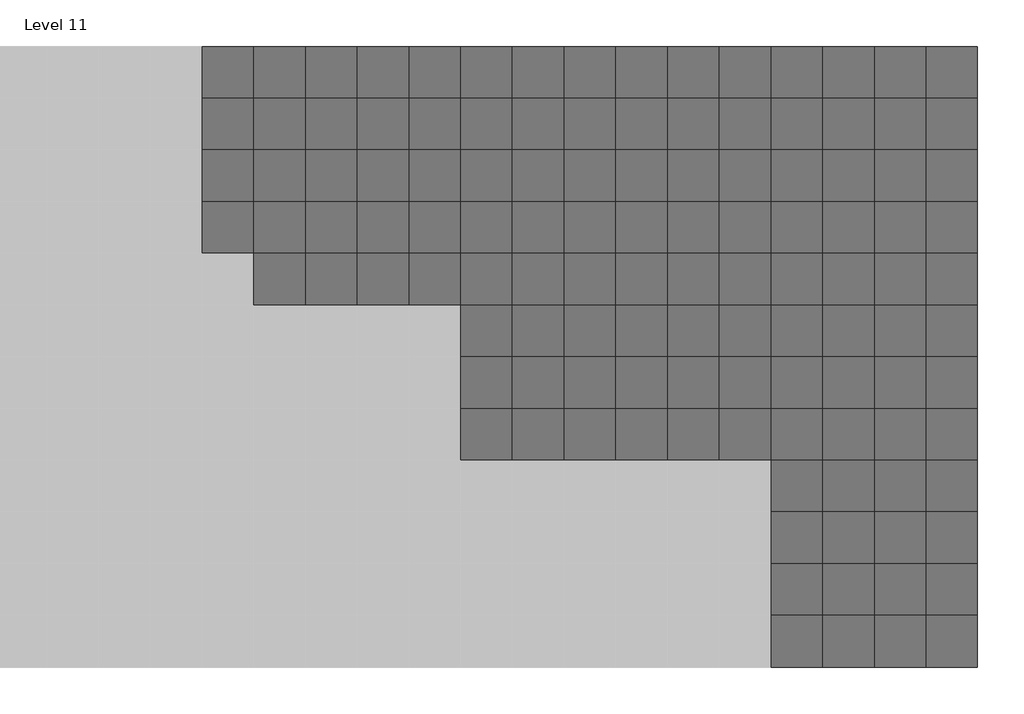
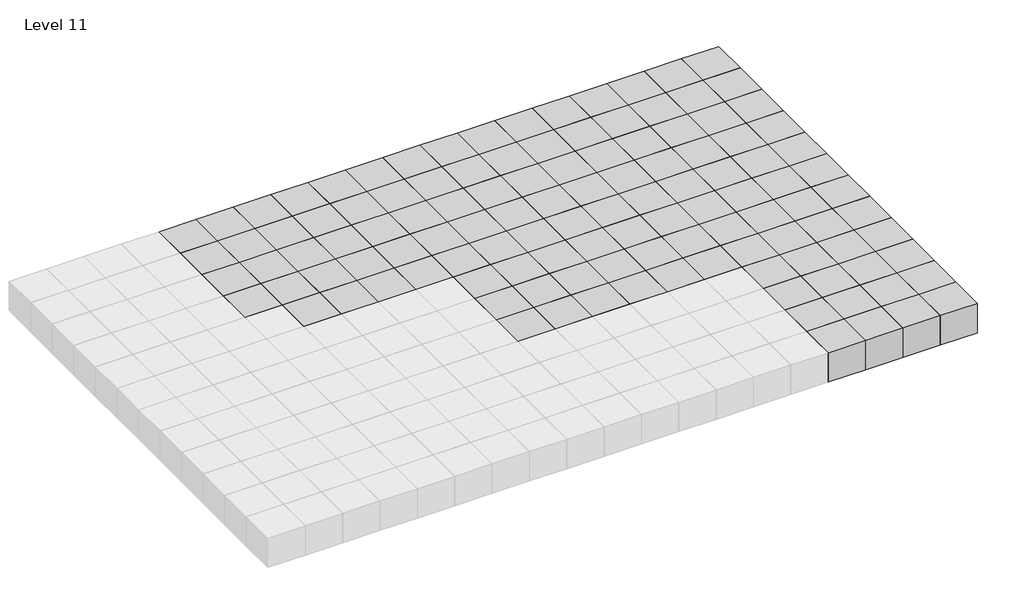
# One storey, part 3 of 3: 120 proxies.
"""IFC4 building model written with IfcOpenShell, lengths in millimetres."""

import ifcopenshell
import ifcopenshell.guid

model = None  # the IFC model being written
_history = None  # IfcOwnerHistory: only IFC2X3 demands one
_inside = {}  # id of a spatial element -> (the spatial element, [elements in it])
_under = {}  # id of a project, library or spatial element -> (it, [spatial elements below it])
_declared = {}  # id of a project -> (the project, [libraries it declares])
_typed = {}  # id of a type object -> (the type object, [elements of that type])
_made_of = {}  # id of a material, layer set ... -> (it, [elements and type objects made of it])


def new_model(schema):
    """Start an empty IFC model of exactly this schema.

    Asked for "IFC4X3", IfcOpenShell would pick the latest addendum, in which some entities
    have other attributes; the version numbers below select the first issue.
    IFC2X3 requires an IfcOwnerHistory on every rooted entity: one is made here for all.
    """
    global model, _history
    if schema == "IFC4X3":
        model = ifcopenshell.file(schema_version=(4, 3, 0, 0))
    else:
        model = ifcopenshell.file(schema=schema)
    _inside.clear()
    _under.clear()
    _declared.clear()
    _typed.clear()
    _made_of.clear()
    _history = None
    if model.schema == "IFC2X3":
        org = make("IfcOrganization", Name="unknown")
        user = make(
            "IfcPersonAndOrganization",
            ThePerson=make("IfcPerson", FamilyName="unknown"),
            TheOrganization=org,
        )
        app = make(
            "IfcApplication",
            ApplicationDeveloper=org,
            Version="unknown",
            ApplicationFullName="unknown",
            ApplicationIdentifier="unknown",
        )
        _history = make(
            "IfcOwnerHistory",
            OwningUser=user,
            OwningApplication=app,
            ChangeAction="ADDED",
            CreationDate=0,
        )
    return model


def make(cls, **values):
    """One entity of the class cls with the attributes given. An attribute that is None is left unset."""
    return model.create_entity(
        cls, **{name: value for name, value in values.items() if value is not None}
    )


def rooted(cls, **values):
    """An entity with a GlobalId (a new one), such as an element, a storey or a relation."""
    return make(cls, GlobalId=ifcopenshell.guid.new(), OwnerHistory=_history, **values)


def si_unit(unit_type, name, prefix=None):
    """IfcSIUnit, for example si_unit("LENGTHUNIT", "METRE", prefix="MILLI")."""
    return make("IfcSIUnit", UnitType=unit_type, Prefix=prefix, Name=name)


def assignment(units):
    """IfcUnitAssignment: the units of a project."""
    return None if units is None else make("IfcUnitAssignment", Units=units)


def point(xyz):
    """IfcCartesianPoint."""
    return None if xyz is None else make("IfcCartesianPoint", Coordinates=xyz)


def direction(xyz):
    """IfcDirection."""
    return None if xyz is None else make("IfcDirection", DirectionRatios=xyz)


def frame(location, z_axis=None, x_axis=None):
    """IfcAxis2Placement3D, a coordinate frame: its origin and axes. An axis left out is left unset."""
    return make(
        "IfcAxis2Placement3D",
        Location=point(location),
        Axis=direction(z_axis),
        RefDirection=direction(x_axis),
    )


def origin():
    """The frame at (0, 0, 0) with its axes left unset."""
    return frame((0.0, 0.0, 0.0))


def origin_with_axes():
    """The frame at (0, 0, 0) with the z axis (0, 0, 1) and the x axis (1, 0, 0) written out."""
    return frame((0.0, 0.0, 0.0), z_axis=(0.0, 0.0, 1.0), x_axis=(1.0, 0.0, 0.0))


def place(relative_to, where):
    """IfcLocalPlacement: puts the frame where relative to a parent placement (None: the world)."""
    return make(
        "IfcLocalPlacement", PlacementRelTo=relative_to, RelativePlacement=where
    )


def context(
    kind, dimensions, precision=None, world=None, true_north=None, identifier=None
):
    """IfcGeometricRepresentationContext, for example the 3D "Model" context."""
    return make(
        "IfcGeometricRepresentationContext",
        ContextIdentifier=identifier,
        ContextType=kind,
        CoordinateSpaceDimension=dimensions,
        Precision=precision,
        WorldCoordinateSystem=world,
        TrueNorth=true_north,
    )


def project(units=None, contexts=None):
    """IfcProject with its units and contexts."""
    return rooted(
        "IfcProject",
        Name="project",
        RepresentationContexts=contexts,
        UnitsInContext=assignment(units),
    )


def spatial(cls, under=None, at=None, **own):
    """A site, building, storey or space (cls), placed at a placement, below another one or the project."""
    s = rooted(cls, ObjectPlacement=at, **own)
    if under is not None:
        _under.setdefault(under.id(), (under, []))[1].append(s)
    return s


def polyline(points):
    """IfcPolyline through the points."""
    return make("IfcPolyline", Points=[point(p) for p in points])


def outline(outer, holes=None, kind="AREA"):
    """IfcArbitraryClosedProfileDef: a profile drawn as a closed curve; with holes, ...WithVoids."""
    if holes is None:
        return make("IfcArbitraryClosedProfileDef", ProfileType=kind, OuterCurve=outer)
    return make(
        "IfcArbitraryProfileDefWithVoids",
        ProfileType=kind,
        OuterCurve=outer,
        InnerCurves=holes,
    )


def extrude(swept, where, along, depth):
    """IfcExtrudedAreaSolid: the profile swept, set in the frame where, extruded along a direction by depth."""
    return make(
        "IfcExtrudedAreaSolid",
        SweptArea=swept,
        Position=where,
        ExtrudedDirection=direction(along),
        Depth=depth,
    )


def shape(context_of_items, identifier, shape_type, items):
    """IfcShapeRepresentation: the items that make up one representation, for example the "Body"."""
    return make(
        "IfcShapeRepresentation",
        ContextOfItems=context_of_items,
        RepresentationIdentifier=identifier,
        RepresentationType=shape_type,
        Items=items,
    )


def source(mapping_origin, context_of_items, identifier, shape_type, items):
    """IfcRepresentationMap: a shape defined once, which mapped items show again and again."""
    return make(
        "IfcRepresentationMap",
        MappingOrigin=mapping_origin,
        MappedRepresentation=shape(context_of_items, identifier, shape_type, items),
    )


def transform(
    local_origin,
    x_axis=None,
    y_axis=None,
    z_axis=None,
    scale=None,
    scale2=None,
    scale3=None,
    uniform=True,
):
    """IfcCartesianTransformationOperator3D, or its non-uniform kind. x_axis, y_axis, z_axis: its Axis1, 2, 3."""
    if uniform:
        return make(
            "IfcCartesianTransformationOperator3D",
            Axis1=direction(x_axis),
            Axis2=direction(y_axis),
            LocalOrigin=point(local_origin),
            Scale=scale,
            Axis3=direction(z_axis),
        )
    return make(
        "IfcCartesianTransformationOperator3DnonUniform",
        Axis1=direction(x_axis),
        Axis2=direction(y_axis),
        LocalOrigin=point(local_origin),
        Scale=scale,
        Axis3=direction(z_axis),
        Scale2=scale2,
        Scale3=scale3,
    )


def mapped(mapping_source, mapping_target):
    """IfcMappedItem: shows the shape of a source again, moved by a transform."""
    return make(
        "IfcMappedItem", MappingSource=mapping_source, MappingTarget=mapping_target
    )


def made_of(thing, what):
    """Note that an element or type object is made of a material, layer set ...; save() writes the relation."""
    if what is not None:
        _made_of.setdefault(what.id(), (what, []))[1].append(thing)
    return thing


def element(
    cls,
    number,
    at=None,
    inside=None,
    cuts=None,
    type_object=None,
    material=None,
    context=None,
    identifier="Body",
    shape_type=None,
    held_by="IfcProductDefinitionShape",
    body=None,
    shapes=None,
    **own,
):
    """One element of the class cls, such as IfcWall. Its Tag is "e" and its number.

    at: its placement. inside: the storey or other place that contains it. cuts: it is an
    opening in that element (IfcRelVoidsElement). A single representation is given by context,
    identifier, shape_type and body (its items); several are given by shapes. held_by: the class
    of the entity that holds the representations. save() writes the other relations.
    """
    e = rooted(cls, Tag="e%d" % number, ObjectPlacement=at, **own)
    if body is not None:
        shapes = [shape(context, identifier, shape_type, body)]
    if shapes is not None:
        e.Representation = make(held_by, Representations=shapes)
    if inside is not None:
        _inside.setdefault(inside.id(), (inside, []))[1].append(e)
    if cuts is not None:
        rooted(
            "IfcRelVoidsElement", RelatingBuildingElement=cuts, RelatedOpeningElement=e
        )
    if type_object is not None:
        _typed.setdefault(type_object.id(), (type_object, []))[1].append(e)
    return made_of(e, material)


def aggregate(whole, parts):
    """IfcRelAggregates: a whole, such as a stair, and the parts it consists of."""
    return rooted("IfcRelAggregates", RelatingObject=whole, RelatedObjects=parts)


def save(model, path):
    """Write the relations noted so far, then the file.

    IfcRelAggregates (storeys below a building ...), IfcRelContainedInSpatialStructure (elements
    in a storey), IfcRelDefinesByType, IfcRelAssociatesMaterial and IfcRelDeclares: one each for
    every whole, place, type object, material and project.
    """
    for whole, parts in _under.values():
        aggregate(whole, parts)
    for where, things in _inside.values():
        rooted(
            "IfcRelContainedInSpatialStructure",
            RelatedElements=things,
            RelatingStructure=where,
        )
    for kind, things in _typed.values():
        rooted("IfcRelDefinesByType", RelatedObjects=things, RelatingType=kind)
    for what, things in _made_of.values():
        rooted("IfcRelAssociatesMaterial", RelatedObjects=things, RelatingMaterial=what)
    for by, libraries in _declared.values():
        rooted("IfcRelDeclares", RelatingContext=by, RelatedDefinitions=libraries)
    model.write(path)


def family1_family1_3ff121e7(model_context):
    return source(origin(), model_context, "Body", "SweptSolid", [
        extrude(outline(polyline([(1500.0, 1500.0), (1500.0, -1500.0), (-1500.0, -1500.0), (-1500.0, 1500.0), (1500.0, 1500.0)])), origin_with_axes(), (0.0, 0.0, 1.0), 2500.0),
    ])


model = new_model("IFC4")

# Units and contexts
model_context = context("Model", 3, world=origin())
ifc_project = project(units=[si_unit("LENGTHUNIT", "METRE", prefix="MILLI")], contexts=[model_context])

# Site, building, storey
site = spatial("IfcSite", under=ifc_project)
building = spatial("IfcBuilding", under=site)
storey = spatial("IfcBuildingStorey", under=building, Name="Level 11", Elevation=25000.0)

# Proxies
placement = place(None, origin())
family1_family1_shape = family1_family1_3ff121e7(model_context)
element("IfcBuildingElementProxy", 1, Name="Family1 : Family1", ObjectType="Family1 : Family1", at=placement, inside=storey, context=model_context, shape_type="MappedRepresentation", body=[
    mapped(family1_family1_shape, transform((34230.8235721, 4214.6480914, 25000.0), x_axis=(1.0, 0.0, 0.0), y_axis=(0.0, 1.0, 0.0), z_axis=(0.0, 0.0, 1.0))),
])
element("IfcBuildingElementProxy", 2, Name="Family1 : Family1", ObjectType="Family1 : Family1", at=placement, inside=storey, context=model_context, shape_type="MappedRepresentation", body=[
    mapped(family1_family1_shape, transform((37230.8235721, 4214.6480914, 25000.0), x_axis=(1.0, 0.0, 0.0), y_axis=(0.0, 1.0, 0.0), z_axis=(0.0, 0.0, 1.0))),
])
element("IfcBuildingElementProxy", 3, Name="Family1 : Family1", ObjectType="Family1 : Family1", at=placement, inside=storey, context=model_context, shape_type="MappedRepresentation", body=[
    mapped(family1_family1_shape, transform((40230.8235721, 4214.6480914, 25000.0), x_axis=(1.0, 0.0, 0.0), y_axis=(0.0, 1.0, 0.0), z_axis=(0.0, 0.0, 1.0))),
])
element("IfcBuildingElementProxy", 4, Name="Family1 : Family1", ObjectType="Family1 : Family1", at=placement, inside=storey, context=model_context, shape_type="MappedRepresentation", body=[
    mapped(family1_family1_shape, transform((43230.8235721, 4214.6480914, 25000.0), x_axis=(1.0, 0.0, 0.0), y_axis=(0.0, 1.0, 0.0), z_axis=(0.0, 0.0, 1.0))),
])
element("IfcBuildingElementProxy", 5, Name="Family1 : Family1", ObjectType="Family1 : Family1", at=placement, inside=storey, context=model_context, shape_type="MappedRepresentation", body=[
    mapped(family1_family1_shape, transform((34230.8235721, 7214.6480914, 25000.0), x_axis=(1.0, 0.0, 0.0), y_axis=(0.0, 1.0, 0.0), z_axis=(0.0, 0.0, 1.0))),
])
element("IfcBuildingElementProxy", 6, Name="Family1 : Family1", ObjectType="Family1 : Family1", at=placement, inside=storey, context=model_context, shape_type="MappedRepresentation", body=[
    mapped(family1_family1_shape, transform((37230.8235721, 7214.6480914, 25000.0), x_axis=(1.0, 0.0, 0.0), y_axis=(0.0, 1.0, 0.0), z_axis=(0.0, 0.0, 1.0))),
])
element("IfcBuildingElementProxy", 7, Name="Family1 : Family1", ObjectType="Family1 : Family1", at=placement, inside=storey, context=model_context, shape_type="MappedRepresentation", body=[
    mapped(family1_family1_shape, transform((40230.8235721, 7214.6480914, 25000.0), x_axis=(1.0, 0.0, 0.0), y_axis=(0.0, 1.0, 0.0), z_axis=(0.0, 0.0, 1.0))),
])
element("IfcBuildingElementProxy", 8, Name="Family1 : Family1", ObjectType="Family1 : Family1", at=placement, inside=storey, context=model_context, shape_type="MappedRepresentation", body=[
    mapped(family1_family1_shape, transform((43230.8235721, 7214.6480914, 25000.0), x_axis=(1.0, 0.0, 0.0), y_axis=(0.0, 1.0, 0.0), z_axis=(0.0, 0.0, 1.0))),
])
element("IfcBuildingElementProxy", 9, Name="Family1 : Family1", ObjectType="Family1 : Family1", at=placement, inside=storey, context=model_context, shape_type="MappedRepresentation", body=[
    mapped(family1_family1_shape, transform((34230.8235721, 10214.6480914, 25000.0), x_axis=(1.0, 0.0, 0.0), y_axis=(0.0, 1.0, 0.0), z_axis=(0.0, 0.0, 1.0))),
])
element("IfcBuildingElementProxy", 10, Name="Family1 : Family1", ObjectType="Family1 : Family1", at=placement, inside=storey, context=model_context, shape_type="MappedRepresentation", body=[
    mapped(family1_family1_shape, transform((37230.8235721, 10214.6480914, 25000.0), x_axis=(1.0, 0.0, 0.0), y_axis=(0.0, 1.0, 0.0), z_axis=(0.0, 0.0, 1.0))),
])
element("IfcBuildingElementProxy", 11, Name="Family1 : Family1", ObjectType="Family1 : Family1", at=placement, inside=storey, context=model_context, shape_type="MappedRepresentation", body=[
    mapped(family1_family1_shape, transform((40230.8235721, 10214.6480914, 25000.0), x_axis=(1.0, 0.0, 0.0), y_axis=(0.0, 1.0, 0.0), z_axis=(0.0, 0.0, 1.0))),
])
element("IfcBuildingElementProxy", 12, Name="Family1 : Family1", ObjectType="Family1 : Family1", at=placement, inside=storey, context=model_context, shape_type="MappedRepresentation", body=[
    mapped(family1_family1_shape, transform((43230.8235721, 10214.6480914, 25000.0), x_axis=(1.0, 0.0, 0.0), y_axis=(0.0, 1.0, 0.0), z_axis=(0.0, 0.0, 1.0))),
])
element("IfcBuildingElementProxy", 13, Name="Family1 : Family1", ObjectType="Family1 : Family1", at=placement, inside=storey, context=model_context, shape_type="MappedRepresentation", body=[
    mapped(family1_family1_shape, transform((34230.8235721, 13214.6480914, 25000.0), x_axis=(1.0, 0.0, 0.0), y_axis=(0.0, 1.0, 0.0), z_axis=(0.0, 0.0, 1.0))),
])
element("IfcBuildingElementProxy", 14, Name="Family1 : Family1", ObjectType="Family1 : Family1", at=placement, inside=storey, context=model_context, shape_type="MappedRepresentation", body=[
    mapped(family1_family1_shape, transform((37230.8235721, 13214.6480914, 25000.0), x_axis=(1.0, 0.0, 0.0), y_axis=(0.0, 1.0, 0.0), z_axis=(0.0, 0.0, 1.0))),
])
element("IfcBuildingElementProxy", 15, Name="Family1 : Family1", ObjectType="Family1 : Family1", at=placement, inside=storey, context=model_context, shape_type="MappedRepresentation", body=[
    mapped(family1_family1_shape, transform((40230.8235721, 13214.6480914, 25000.0), x_axis=(1.0, 0.0, 0.0), y_axis=(0.0, 1.0, 0.0), z_axis=(0.0, 0.0, 1.0))),
])
element("IfcBuildingElementProxy", 16, Name="Family1 : Family1", ObjectType="Family1 : Family1", at=placement, inside=storey, context=model_context, shape_type="MappedRepresentation", body=[
    mapped(family1_family1_shape, transform((43230.8235721, 13214.6480914, 25000.0), x_axis=(1.0, 0.0, 0.0), y_axis=(0.0, 1.0, 0.0), z_axis=(0.0, 0.0, 1.0))),
])
element("IfcBuildingElementProxy", 17, Name="Family1 : Family1", ObjectType="Family1 : Family1", at=placement, inside=storey, context=model_context, shape_type="MappedRepresentation", body=[
    mapped(family1_family1_shape, transform((16230.8235721, 16214.6480914, 25000.0), x_axis=(1.0, 0.0, 0.0), y_axis=(0.0, 1.0, 0.0), z_axis=(0.0, 0.0, 1.0))),
])
element("IfcBuildingElementProxy", 18, Name="Family1 : Family1", ObjectType="Family1 : Family1", at=placement, inside=storey, context=model_context, shape_type="MappedRepresentation", body=[
    mapped(family1_family1_shape, transform((19230.8235721, 16214.6480914, 25000.0), x_axis=(1.0, 0.0, 0.0), y_axis=(0.0, 1.0, 0.0), z_axis=(0.0, 0.0, 1.0))),
])
element("IfcBuildingElementProxy", 19, Name="Family1 : Family1", ObjectType="Family1 : Family1", at=placement, inside=storey, context=model_context, shape_type="MappedRepresentation", body=[
    mapped(family1_family1_shape, transform((22230.8235721, 16214.6480914, 25000.0), x_axis=(1.0, 0.0, 0.0), y_axis=(0.0, 1.0, 0.0), z_axis=(0.0, 0.0, 1.0))),
])
element("IfcBuildingElementProxy", 20, Name="Family1 : Family1", ObjectType="Family1 : Family1", at=placement, inside=storey, context=model_context, shape_type="MappedRepresentation", body=[
    mapped(family1_family1_shape, transform((25230.8235721, 16214.6480914, 25000.0), x_axis=(1.0, 0.0, 0.0), y_axis=(0.0, 1.0, 0.0), z_axis=(0.0, 0.0, 1.0))),
])
element("IfcBuildingElementProxy", 21, Name="Family1 : Family1", ObjectType="Family1 : Family1", at=placement, inside=storey, context=model_context, shape_type="MappedRepresentation", body=[
    mapped(family1_family1_shape, transform((28230.8235721, 16214.6480914, 25000.0), x_axis=(1.0, 0.0, 0.0), y_axis=(0.0, 1.0, 0.0), z_axis=(0.0, 0.0, 1.0))),
])
element("IfcBuildingElementProxy", 22, Name="Family1 : Family1", ObjectType="Family1 : Family1", at=placement, inside=storey, context=model_context, shape_type="MappedRepresentation", body=[
    mapped(family1_family1_shape, transform((31230.8235721, 16214.6480914, 25000.0), x_axis=(1.0, 0.0, 0.0), y_axis=(0.0, 1.0, 0.0), z_axis=(0.0, 0.0, 1.0))),
])
element("IfcBuildingElementProxy", 23, Name="Family1 : Family1", ObjectType="Family1 : Family1", at=placement, inside=storey, context=model_context, shape_type="MappedRepresentation", body=[
    mapped(family1_family1_shape, transform((34230.8235721, 16214.6480914, 25000.0), x_axis=(1.0, 0.0, 0.0), y_axis=(0.0, 1.0, 0.0), z_axis=(0.0, 0.0, 1.0))),
])
element("IfcBuildingElementProxy", 24, Name="Family1 : Family1", ObjectType="Family1 : Family1", at=placement, inside=storey, context=model_context, shape_type="MappedRepresentation", body=[
    mapped(family1_family1_shape, transform((37230.8235721, 16214.6480914, 25000.0), x_axis=(1.0, 0.0, 0.0), y_axis=(0.0, 1.0, 0.0), z_axis=(0.0, 0.0, 1.0))),
])
element("IfcBuildingElementProxy", 25, Name="Family1 : Family1", ObjectType="Family1 : Family1", at=placement, inside=storey, context=model_context, shape_type="MappedRepresentation", body=[
    mapped(family1_family1_shape, transform((40230.8235721, 16214.6480914, 25000.0), x_axis=(1.0, 0.0, 0.0), y_axis=(0.0, 1.0, 0.0), z_axis=(0.0, 0.0, 1.0))),
])
element("IfcBuildingElementProxy", 26, Name="Family1 : Family1", ObjectType="Family1 : Family1", at=placement, inside=storey, context=model_context, shape_type="MappedRepresentation", body=[
    mapped(family1_family1_shape, transform((43230.8235721, 16214.6480914, 25000.0), x_axis=(1.0, 0.0, 0.0), y_axis=(0.0, 1.0, 0.0), z_axis=(0.0, 0.0, 1.0))),
])
element("IfcBuildingElementProxy", 27, Name="Family1 : Family1", ObjectType="Family1 : Family1", at=placement, inside=storey, context=model_context, shape_type="MappedRepresentation", body=[
    mapped(family1_family1_shape, transform((16230.8235721, 19214.6480914, 25000.0), x_axis=(1.0, 0.0, 0.0), y_axis=(0.0, 1.0, 0.0), z_axis=(0.0, 0.0, 1.0))),
])
element("IfcBuildingElementProxy", 28, Name="Family1 : Family1", ObjectType="Family1 : Family1", at=placement, inside=storey, context=model_context, shape_type="MappedRepresentation", body=[
    mapped(family1_family1_shape, transform((19230.8235721, 19214.6480914, 25000.0), x_axis=(1.0, 0.0, 0.0), y_axis=(0.0, 1.0, 0.0), z_axis=(0.0, 0.0, 1.0))),
])
element("IfcBuildingElementProxy", 29, Name="Family1 : Family1", ObjectType="Family1 : Family1", at=placement, inside=storey, context=model_context, shape_type="MappedRepresentation", body=[
    mapped(family1_family1_shape, transform((22230.8235721, 19214.6480914, 25000.0), x_axis=(1.0, 0.0, 0.0), y_axis=(0.0, 1.0, 0.0), z_axis=(0.0, 0.0, 1.0))),
])
element("IfcBuildingElementProxy", 30, Name="Family1 : Family1", ObjectType="Family1 : Family1", at=placement, inside=storey, context=model_context, shape_type="MappedRepresentation", body=[
    mapped(family1_family1_shape, transform((25230.8235721, 19214.6480914, 25000.0), x_axis=(1.0, 0.0, 0.0), y_axis=(0.0, 1.0, 0.0), z_axis=(0.0, 0.0, 1.0))),
])
element("IfcBuildingElementProxy", 31, Name="Family1 : Family1", ObjectType="Family1 : Family1", at=placement, inside=storey, context=model_context, shape_type="MappedRepresentation", body=[
    mapped(family1_family1_shape, transform((28230.8235721, 19214.6480914, 25000.0), x_axis=(1.0, 0.0, 0.0), y_axis=(0.0, 1.0, 0.0), z_axis=(0.0, 0.0, 1.0))),
])
element("IfcBuildingElementProxy", 32, Name="Family1 : Family1", ObjectType="Family1 : Family1", at=placement, inside=storey, context=model_context, shape_type="MappedRepresentation", body=[
    mapped(family1_family1_shape, transform((31230.8235721, 19214.6480914, 25000.0), x_axis=(1.0, 0.0, 0.0), y_axis=(0.0, 1.0, 0.0), z_axis=(0.0, 0.0, 1.0))),
])
element("IfcBuildingElementProxy", 33, Name="Family1 : Family1", ObjectType="Family1 : Family1", at=placement, inside=storey, context=model_context, shape_type="MappedRepresentation", body=[
    mapped(family1_family1_shape, transform((34230.8235721, 19214.6480914, 25000.0), x_axis=(1.0, 0.0, 0.0), y_axis=(0.0, 1.0, 0.0), z_axis=(0.0, 0.0, 1.0))),
])
element("IfcBuildingElementProxy", 34, Name="Family1 : Family1", ObjectType="Family1 : Family1", at=placement, inside=storey, context=model_context, shape_type="MappedRepresentation", body=[
    mapped(family1_family1_shape, transform((37230.8235721, 19214.6480914, 25000.0), x_axis=(1.0, 0.0, 0.0), y_axis=(0.0, 1.0, 0.0), z_axis=(0.0, 0.0, 1.0))),
])
element("IfcBuildingElementProxy", 35, Name="Family1 : Family1", ObjectType="Family1 : Family1", at=placement, inside=storey, context=model_context, shape_type="MappedRepresentation", body=[
    mapped(family1_family1_shape, transform((40230.8235721, 19214.6480914, 25000.0), x_axis=(1.0, 0.0, 0.0), y_axis=(0.0, 1.0, 0.0), z_axis=(0.0, 0.0, 1.0))),
])
element("IfcBuildingElementProxy", 36, Name="Family1 : Family1", ObjectType="Family1 : Family1", at=placement, inside=storey, context=model_context, shape_type="MappedRepresentation", body=[
    mapped(family1_family1_shape, transform((43230.8235721, 19214.6480914, 25000.0), x_axis=(1.0, 0.0, 0.0), y_axis=(0.0, 1.0, 0.0), z_axis=(0.0, 0.0, 1.0))),
])
element("IfcBuildingElementProxy", 37, Name="Family1 : Family1", ObjectType="Family1 : Family1", at=placement, inside=storey, context=model_context, shape_type="MappedRepresentation", body=[
    mapped(family1_family1_shape, transform((16230.8235721, 22214.6480914, 25000.0), x_axis=(1.0, 0.0, 0.0), y_axis=(0.0, 1.0, 0.0), z_axis=(0.0, 0.0, 1.0))),
])
element("IfcBuildingElementProxy", 38, Name="Family1 : Family1", ObjectType="Family1 : Family1", at=placement, inside=storey, context=model_context, shape_type="MappedRepresentation", body=[
    mapped(family1_family1_shape, transform((19230.8235721, 22214.6480914, 25000.0), x_axis=(1.0, 0.0, 0.0), y_axis=(0.0, 1.0, 0.0), z_axis=(0.0, 0.0, 1.0))),
])
element("IfcBuildingElementProxy", 39, Name="Family1 : Family1", ObjectType="Family1 : Family1", at=placement, inside=storey, context=model_context, shape_type="MappedRepresentation", body=[
    mapped(family1_family1_shape, transform((22230.8235721, 22214.6480914, 25000.0), x_axis=(1.0, 0.0, 0.0), y_axis=(0.0, 1.0, 0.0), z_axis=(0.0, 0.0, 1.0))),
])
element("IfcBuildingElementProxy", 40, Name="Family1 : Family1", ObjectType="Family1 : Family1", at=placement, inside=storey, context=model_context, shape_type="MappedRepresentation", body=[
    mapped(family1_family1_shape, transform((25230.8235721, 22214.6480914, 25000.0), x_axis=(1.0, 0.0, 0.0), y_axis=(0.0, 1.0, 0.0), z_axis=(0.0, 0.0, 1.0))),
])
element("IfcBuildingElementProxy", 41, Name="Family1 : Family1", ObjectType="Family1 : Family1", at=placement, inside=storey, context=model_context, shape_type="MappedRepresentation", body=[
    mapped(family1_family1_shape, transform((28230.8235721, 22214.6480914, 25000.0), x_axis=(1.0, 0.0, 0.0), y_axis=(0.0, 1.0, 0.0), z_axis=(0.0, 0.0, 1.0))),
])
element("IfcBuildingElementProxy", 42, Name="Family1 : Family1", ObjectType="Family1 : Family1", at=placement, inside=storey, context=model_context, shape_type="MappedRepresentation", body=[
    mapped(family1_family1_shape, transform((31230.8235721, 22214.6480914, 25000.0), x_axis=(1.0, 0.0, 0.0), y_axis=(0.0, 1.0, 0.0), z_axis=(0.0, 0.0, 1.0))),
])
element("IfcBuildingElementProxy", 43, Name="Family1 : Family1", ObjectType="Family1 : Family1", at=placement, inside=storey, context=model_context, shape_type="MappedRepresentation", body=[
    mapped(family1_family1_shape, transform((34230.8235721, 22214.6480914, 25000.0), x_axis=(1.0, 0.0, 0.0), y_axis=(0.0, 1.0, 0.0), z_axis=(0.0, 0.0, 1.0))),
])
element("IfcBuildingElementProxy", 44, Name="Family1 : Family1", ObjectType="Family1 : Family1", at=placement, inside=storey, context=model_context, shape_type="MappedRepresentation", body=[
    mapped(family1_family1_shape, transform((37230.8235721, 22214.6480914, 25000.0), x_axis=(1.0, 0.0, 0.0), y_axis=(0.0, 1.0, 0.0), z_axis=(0.0, 0.0, 1.0))),
])
element("IfcBuildingElementProxy", 45, Name="Family1 : Family1", ObjectType="Family1 : Family1", at=placement, inside=storey, context=model_context, shape_type="MappedRepresentation", body=[
    mapped(family1_family1_shape, transform((40230.8235721, 22214.6480914, 25000.0), x_axis=(1.0, 0.0, 0.0), y_axis=(0.0, 1.0, 0.0), z_axis=(0.0, 0.0, 1.0))),
])
element("IfcBuildingElementProxy", 46, Name="Family1 : Family1", ObjectType="Family1 : Family1", at=placement, inside=storey, context=model_context, shape_type="MappedRepresentation", body=[
    mapped(family1_family1_shape, transform((43230.8235721, 22214.6480914, 25000.0), x_axis=(1.0, 0.0, 0.0), y_axis=(0.0, 1.0, 0.0), z_axis=(0.0, 0.0, 1.0))),
])
element("IfcBuildingElementProxy", 47, Name="Family1 : Family1", ObjectType="Family1 : Family1", at=placement, inside=storey, context=model_context, shape_type="MappedRepresentation", body=[
    mapped(family1_family1_shape, transform((4230.8235721, 25214.6480914, 25000.0), x_axis=(1.0, 0.0, 0.0), y_axis=(0.0, 1.0, 0.0), z_axis=(0.0, 0.0, 1.0))),
])
element("IfcBuildingElementProxy", 48, Name="Family1 : Family1", ObjectType="Family1 : Family1", at=placement, inside=storey, context=model_context, shape_type="MappedRepresentation", body=[
    mapped(family1_family1_shape, transform((7230.8235721, 25214.6480914, 25000.0), x_axis=(1.0, 0.0, 0.0), y_axis=(0.0, 1.0, 0.0), z_axis=(0.0, 0.0, 1.0))),
])
element("IfcBuildingElementProxy", 49, Name="Family1 : Family1", ObjectType="Family1 : Family1", at=placement, inside=storey, context=model_context, shape_type="MappedRepresentation", body=[
    mapped(family1_family1_shape, transform((10230.8235721, 25214.6480914, 25000.0), x_axis=(1.0, 0.0, 0.0), y_axis=(0.0, 1.0, 0.0), z_axis=(0.0, 0.0, 1.0))),
])
element("IfcBuildingElementProxy", 50, Name="Family1 : Family1", ObjectType="Family1 : Family1", at=placement, inside=storey, context=model_context, shape_type="MappedRepresentation", body=[
    mapped(family1_family1_shape, transform((13230.8235721, 25214.6480914, 25000.0), x_axis=(1.0, 0.0, 0.0), y_axis=(0.0, 1.0, 0.0), z_axis=(0.0, 0.0, 1.0))),
])
element("IfcBuildingElementProxy", 51, Name="Family1 : Family1", ObjectType="Family1 : Family1", at=placement, inside=storey, context=model_context, shape_type="MappedRepresentation", body=[
    mapped(family1_family1_shape, transform((16230.8235721, 25214.6480914, 25000.0), x_axis=(1.0, 0.0, 0.0), y_axis=(0.0, 1.0, 0.0), z_axis=(0.0, 0.0, 1.0))),
])
element("IfcBuildingElementProxy", 52, Name="Family1 : Family1", ObjectType="Family1 : Family1", at=placement, inside=storey, context=model_context, shape_type="MappedRepresentation", body=[
    mapped(family1_family1_shape, transform((19230.8235721, 25214.6480914, 25000.0), x_axis=(1.0, 0.0, 0.0), y_axis=(0.0, 1.0, 0.0), z_axis=(0.0, 0.0, 1.0))),
])
element("IfcBuildingElementProxy", 53, Name="Family1 : Family1", ObjectType="Family1 : Family1", at=placement, inside=storey, context=model_context, shape_type="MappedRepresentation", body=[
    mapped(family1_family1_shape, transform((22230.8235721, 25214.6480914, 25000.0), x_axis=(1.0, 0.0, 0.0), y_axis=(0.0, 1.0, 0.0), z_axis=(0.0, 0.0, 1.0))),
])
element("IfcBuildingElementProxy", 54, Name="Family1 : Family1", ObjectType="Family1 : Family1", at=placement, inside=storey, context=model_context, shape_type="MappedRepresentation", body=[
    mapped(family1_family1_shape, transform((25230.8235721, 25214.6480914, 25000.0), x_axis=(1.0, 0.0, 0.0), y_axis=(0.0, 1.0, 0.0), z_axis=(0.0, 0.0, 1.0))),
])
element("IfcBuildingElementProxy", 55, Name="Family1 : Family1", ObjectType="Family1 : Family1", at=placement, inside=storey, context=model_context, shape_type="MappedRepresentation", body=[
    mapped(family1_family1_shape, transform((28230.8235721, 25214.6480914, 25000.0), x_axis=(1.0, 0.0, 0.0), y_axis=(0.0, 1.0, 0.0), z_axis=(0.0, 0.0, 1.0))),
])
element("IfcBuildingElementProxy", 56, Name="Family1 : Family1", ObjectType="Family1 : Family1", at=placement, inside=storey, context=model_context, shape_type="MappedRepresentation", body=[
    mapped(family1_family1_shape, transform((31230.8235721, 25214.6480914, 25000.0), x_axis=(1.0, 0.0, 0.0), y_axis=(0.0, 1.0, 0.0), z_axis=(0.0, 0.0, 1.0))),
])
element("IfcBuildingElementProxy", 57, Name="Family1 : Family1", ObjectType="Family1 : Family1", at=placement, inside=storey, context=model_context, shape_type="MappedRepresentation", body=[
    mapped(family1_family1_shape, transform((34230.8235721, 25214.6480914, 25000.0), x_axis=(1.0, 0.0, 0.0), y_axis=(0.0, 1.0, 0.0), z_axis=(0.0, 0.0, 1.0))),
])
element("IfcBuildingElementProxy", 58, Name="Family1 : Family1", ObjectType="Family1 : Family1", at=placement, inside=storey, context=model_context, shape_type="MappedRepresentation", body=[
    mapped(family1_family1_shape, transform((37230.8235721, 25214.6480914, 25000.0), x_axis=(1.0, 0.0, 0.0), y_axis=(0.0, 1.0, 0.0), z_axis=(0.0, 0.0, 1.0))),
])
element("IfcBuildingElementProxy", 59, Name="Family1 : Family1", ObjectType="Family1 : Family1", at=placement, inside=storey, context=model_context, shape_type="MappedRepresentation", body=[
    mapped(family1_family1_shape, transform((40230.8235721, 25214.6480914, 25000.0), x_axis=(1.0, 0.0, 0.0), y_axis=(0.0, 1.0, 0.0), z_axis=(0.0, 0.0, 1.0))),
])
element("IfcBuildingElementProxy", 60, Name="Family1 : Family1", ObjectType="Family1 : Family1", at=placement, inside=storey, context=model_context, shape_type="MappedRepresentation", body=[
    mapped(family1_family1_shape, transform((43230.8235721, 25214.6480914, 25000.0), x_axis=(1.0, 0.0, 0.0), y_axis=(0.0, 1.0, 0.0), z_axis=(0.0, 0.0, 1.0))),
])
element("IfcBuildingElementProxy", 61, Name="Family1 : Family1", ObjectType="Family1 : Family1", at=placement, inside=storey, context=model_context, shape_type="MappedRepresentation", body=[
    mapped(family1_family1_shape, transform((1230.8235721, 28214.6480914, 25000.0), x_axis=(1.0, 0.0, 0.0), y_axis=(0.0, 1.0, 0.0), z_axis=(0.0, 0.0, 1.0))),
])
element("IfcBuildingElementProxy", 62, Name="Family1 : Family1", ObjectType="Family1 : Family1", at=placement, inside=storey, context=model_context, shape_type="MappedRepresentation", body=[
    mapped(family1_family1_shape, transform((4230.8235721, 28214.6480914, 25000.0), x_axis=(1.0, 0.0, 0.0), y_axis=(0.0, 1.0, 0.0), z_axis=(0.0, 0.0, 1.0))),
])
element("IfcBuildingElementProxy", 63, Name="Family1 : Family1", ObjectType="Family1 : Family1", at=placement, inside=storey, context=model_context, shape_type="MappedRepresentation", body=[
    mapped(family1_family1_shape, transform((7230.8235721, 28214.6480914, 25000.0), x_axis=(1.0, 0.0, 0.0), y_axis=(0.0, 1.0, 0.0), z_axis=(0.0, 0.0, 1.0))),
])
element("IfcBuildingElementProxy", 64, Name="Family1 : Family1", ObjectType="Family1 : Family1", at=placement, inside=storey, context=model_context, shape_type="MappedRepresentation", body=[
    mapped(family1_family1_shape, transform((10230.8235721, 28214.6480914, 25000.0), x_axis=(1.0, 0.0, 0.0), y_axis=(0.0, 1.0, 0.0), z_axis=(0.0, 0.0, 1.0))),
])
element("IfcBuildingElementProxy", 65, Name="Family1 : Family1", ObjectType="Family1 : Family1", at=placement, inside=storey, context=model_context, shape_type="MappedRepresentation", body=[
    mapped(family1_family1_shape, transform((13230.8235721, 28214.6480914, 25000.0), x_axis=(1.0, 0.0, 0.0), y_axis=(0.0, 1.0, 0.0), z_axis=(0.0, 0.0, 1.0))),
])
element("IfcBuildingElementProxy", 66, Name="Family1 : Family1", ObjectType="Family1 : Family1", at=placement, inside=storey, context=model_context, shape_type="MappedRepresentation", body=[
    mapped(family1_family1_shape, transform((16230.8235721, 28214.6480914, 25000.0), x_axis=(1.0, 0.0, 0.0), y_axis=(0.0, 1.0, 0.0), z_axis=(0.0, 0.0, 1.0))),
])
element("IfcBuildingElementProxy", 67, Name="Family1 : Family1", ObjectType="Family1 : Family1", at=placement, inside=storey, context=model_context, shape_type="MappedRepresentation", body=[
    mapped(family1_family1_shape, transform((19230.8235721, 28214.6480914, 25000.0), x_axis=(1.0, 0.0, 0.0), y_axis=(0.0, 1.0, 0.0), z_axis=(0.0, 0.0, 1.0))),
])
element("IfcBuildingElementProxy", 68, Name="Family1 : Family1", ObjectType="Family1 : Family1", at=placement, inside=storey, context=model_context, shape_type="MappedRepresentation", body=[
    mapped(family1_family1_shape, transform((22230.8235721, 28214.6480914, 25000.0), x_axis=(1.0, 0.0, 0.0), y_axis=(0.0, 1.0, 0.0), z_axis=(0.0, 0.0, 1.0))),
])
element("IfcBuildingElementProxy", 69, Name="Family1 : Family1", ObjectType="Family1 : Family1", at=placement, inside=storey, context=model_context, shape_type="MappedRepresentation", body=[
    mapped(family1_family1_shape, transform((25230.8235721, 28214.6480914, 25000.0), x_axis=(1.0, 0.0, 0.0), y_axis=(0.0, 1.0, 0.0), z_axis=(0.0, 0.0, 1.0))),
])
element("IfcBuildingElementProxy", 70, Name="Family1 : Family1", ObjectType="Family1 : Family1", at=placement, inside=storey, context=model_context, shape_type="MappedRepresentation", body=[
    mapped(family1_family1_shape, transform((28230.8235721, 28214.6480914, 25000.0), x_axis=(1.0, 0.0, 0.0), y_axis=(0.0, 1.0, 0.0), z_axis=(0.0, 0.0, 1.0))),
])
element("IfcBuildingElementProxy", 71, Name="Family1 : Family1", ObjectType="Family1 : Family1", at=placement, inside=storey, context=model_context, shape_type="MappedRepresentation", body=[
    mapped(family1_family1_shape, transform((31230.8235721, 28214.6480914, 25000.0), x_axis=(1.0, 0.0, 0.0), y_axis=(0.0, 1.0, 0.0), z_axis=(0.0, 0.0, 1.0))),
])
element("IfcBuildingElementProxy", 72, Name="Family1 : Family1", ObjectType="Family1 : Family1", at=placement, inside=storey, context=model_context, shape_type="MappedRepresentation", body=[
    mapped(family1_family1_shape, transform((34230.8235721, 28214.6480914, 25000.0), x_axis=(1.0, 0.0, 0.0), y_axis=(0.0, 1.0, 0.0), z_axis=(0.0, 0.0, 1.0))),
])
element("IfcBuildingElementProxy", 73, Name="Family1 : Family1", ObjectType="Family1 : Family1", at=placement, inside=storey, context=model_context, shape_type="MappedRepresentation", body=[
    mapped(family1_family1_shape, transform((37230.8235721, 28214.6480914, 25000.0), x_axis=(1.0, 0.0, 0.0), y_axis=(0.0, 1.0, 0.0), z_axis=(0.0, 0.0, 1.0))),
])
element("IfcBuildingElementProxy", 74, Name="Family1 : Family1", ObjectType="Family1 : Family1", at=placement, inside=storey, context=model_context, shape_type="MappedRepresentation", body=[
    mapped(family1_family1_shape, transform((40230.8235721, 28214.6480914, 25000.0), x_axis=(1.0, 0.0, 0.0), y_axis=(0.0, 1.0, 0.0), z_axis=(0.0, 0.0, 1.0))),
])
element("IfcBuildingElementProxy", 75, Name="Family1 : Family1", ObjectType="Family1 : Family1", at=placement, inside=storey, context=model_context, shape_type="MappedRepresentation", body=[
    mapped(family1_family1_shape, transform((43230.8235721, 28214.6480914, 25000.0), x_axis=(1.0, 0.0, 0.0), y_axis=(0.0, 1.0, 0.0), z_axis=(0.0, 0.0, 1.0))),
])
element("IfcBuildingElementProxy", 76, Name="Family1 : Family1", ObjectType="Family1 : Family1", at=placement, inside=storey, context=model_context, shape_type="MappedRepresentation", body=[
    mapped(family1_family1_shape, transform((1230.8235721, 31214.6480914, 25000.0), x_axis=(1.0, 0.0, 0.0), y_axis=(0.0, 1.0, 0.0), z_axis=(0.0, 0.0, 1.0))),
])
element("IfcBuildingElementProxy", 77, Name="Family1 : Family1", ObjectType="Family1 : Family1", at=placement, inside=storey, context=model_context, shape_type="MappedRepresentation", body=[
    mapped(family1_family1_shape, transform((4230.8235721, 31214.6480914, 25000.0), x_axis=(1.0, 0.0, 0.0), y_axis=(0.0, 1.0, 0.0), z_axis=(0.0, 0.0, 1.0))),
])
element("IfcBuildingElementProxy", 78, Name="Family1 : Family1", ObjectType="Family1 : Family1", at=placement, inside=storey, context=model_context, shape_type="MappedRepresentation", body=[
    mapped(family1_family1_shape, transform((7230.8235721, 31214.6480914, 25000.0), x_axis=(1.0, 0.0, 0.0), y_axis=(0.0, 1.0, 0.0), z_axis=(0.0, 0.0, 1.0))),
])
element("IfcBuildingElementProxy", 79, Name="Family1 : Family1", ObjectType="Family1 : Family1", at=placement, inside=storey, context=model_context, shape_type="MappedRepresentation", body=[
    mapped(family1_family1_shape, transform((10230.8235721, 31214.6480914, 25000.0), x_axis=(1.0, 0.0, 0.0), y_axis=(0.0, 1.0, 0.0), z_axis=(0.0, 0.0, 1.0))),
])
element("IfcBuildingElementProxy", 80, Name="Family1 : Family1", ObjectType="Family1 : Family1", at=placement, inside=storey, context=model_context, shape_type="MappedRepresentation", body=[
    mapped(family1_family1_shape, transform((13230.8235721, 31214.6480914, 25000.0), x_axis=(1.0, 0.0, 0.0), y_axis=(0.0, 1.0, 0.0), z_axis=(0.0, 0.0, 1.0))),
])
element("IfcBuildingElementProxy", 81, Name="Family1 : Family1", ObjectType="Family1 : Family1", at=placement, inside=storey, context=model_context, shape_type="MappedRepresentation", body=[
    mapped(family1_family1_shape, transform((16230.8235721, 31214.6480914, 25000.0), x_axis=(1.0, 0.0, 0.0), y_axis=(0.0, 1.0, 0.0), z_axis=(0.0, 0.0, 1.0))),
])
element("IfcBuildingElementProxy", 82, Name="Family1 : Family1", ObjectType="Family1 : Family1", at=placement, inside=storey, context=model_context, shape_type="MappedRepresentation", body=[
    mapped(family1_family1_shape, transform((19230.8235721, 31214.6480914, 25000.0), x_axis=(1.0, 0.0, 0.0), y_axis=(0.0, 1.0, 0.0), z_axis=(0.0, 0.0, 1.0))),
])
element("IfcBuildingElementProxy", 83, Name="Family1 : Family1", ObjectType="Family1 : Family1", at=placement, inside=storey, context=model_context, shape_type="MappedRepresentation", body=[
    mapped(family1_family1_shape, transform((22230.8235721, 31214.6480914, 25000.0), x_axis=(1.0, 0.0, 0.0), y_axis=(0.0, 1.0, 0.0), z_axis=(0.0, 0.0, 1.0))),
])
element("IfcBuildingElementProxy", 84, Name="Family1 : Family1", ObjectType="Family1 : Family1", at=placement, inside=storey, context=model_context, shape_type="MappedRepresentation", body=[
    mapped(family1_family1_shape, transform((25230.8235721, 31214.6480914, 25000.0), x_axis=(1.0, 0.0, 0.0), y_axis=(0.0, 1.0, 0.0), z_axis=(0.0, 0.0, 1.0))),
])
element("IfcBuildingElementProxy", 85, Name="Family1 : Family1", ObjectType="Family1 : Family1", at=placement, inside=storey, context=model_context, shape_type="MappedRepresentation", body=[
    mapped(family1_family1_shape, transform((28230.8235721, 31214.6480914, 25000.0), x_axis=(1.0, 0.0, 0.0), y_axis=(0.0, 1.0, 0.0), z_axis=(0.0, 0.0, 1.0))),
])
element("IfcBuildingElementProxy", 86, Name="Family1 : Family1", ObjectType="Family1 : Family1", at=placement, inside=storey, context=model_context, shape_type="MappedRepresentation", body=[
    mapped(family1_family1_shape, transform((31230.8235721, 31214.6480914, 25000.0), x_axis=(1.0, 0.0, 0.0), y_axis=(0.0, 1.0, 0.0), z_axis=(0.0, 0.0, 1.0))),
])
element("IfcBuildingElementProxy", 87, Name="Family1 : Family1", ObjectType="Family1 : Family1", at=placement, inside=storey, context=model_context, shape_type="MappedRepresentation", body=[
    mapped(family1_family1_shape, transform((34230.8235721, 31214.6480914, 25000.0), x_axis=(1.0, 0.0, 0.0), y_axis=(0.0, 1.0, 0.0), z_axis=(0.0, 0.0, 1.0))),
])
element("IfcBuildingElementProxy", 88, Name="Family1 : Family1", ObjectType="Family1 : Family1", at=placement, inside=storey, context=model_context, shape_type="MappedRepresentation", body=[
    mapped(family1_family1_shape, transform((37230.8235721, 31214.6480914, 25000.0), x_axis=(1.0, 0.0, 0.0), y_axis=(0.0, 1.0, 0.0), z_axis=(0.0, 0.0, 1.0))),
])
element("IfcBuildingElementProxy", 89, Name="Family1 : Family1", ObjectType="Family1 : Family1", at=placement, inside=storey, context=model_context, shape_type="MappedRepresentation", body=[
    mapped(family1_family1_shape, transform((40230.8235721, 31214.6480914, 25000.0), x_axis=(1.0, 0.0, 0.0), y_axis=(0.0, 1.0, 0.0), z_axis=(0.0, 0.0, 1.0))),
])
element("IfcBuildingElementProxy", 90, Name="Family1 : Family1", ObjectType="Family1 : Family1", at=placement, inside=storey, context=model_context, shape_type="MappedRepresentation", body=[
    mapped(family1_family1_shape, transform((43230.8235721, 31214.6480914, 25000.0), x_axis=(1.0, 0.0, 0.0), y_axis=(0.0, 1.0, 0.0), z_axis=(0.0, 0.0, 1.0))),
])
element("IfcBuildingElementProxy", 91, Name="Family1 : Family1", ObjectType="Family1 : Family1", at=placement, inside=storey, context=model_context, shape_type="MappedRepresentation", body=[
    mapped(family1_family1_shape, transform((1230.8235721, 34214.6480914, 25000.0), x_axis=(1.0, 0.0, 0.0), y_axis=(0.0, 1.0, 0.0), z_axis=(0.0, 0.0, 1.0))),
])
element("IfcBuildingElementProxy", 92, Name="Family1 : Family1", ObjectType="Family1 : Family1", at=placement, inside=storey, context=model_context, shape_type="MappedRepresentation", body=[
    mapped(family1_family1_shape, transform((4230.8235721, 34214.6480914, 25000.0), x_axis=(1.0, 0.0, 0.0), y_axis=(0.0, 1.0, 0.0), z_axis=(0.0, 0.0, 1.0))),
])
element("IfcBuildingElementProxy", 93, Name="Family1 : Family1", ObjectType="Family1 : Family1", at=placement, inside=storey, context=model_context, shape_type="MappedRepresentation", body=[
    mapped(family1_family1_shape, transform((7230.8235721, 34214.6480914, 25000.0), x_axis=(1.0, 0.0, 0.0), y_axis=(0.0, 1.0, 0.0), z_axis=(0.0, 0.0, 1.0))),
])
element("IfcBuildingElementProxy", 94, Name="Family1 : Family1", ObjectType="Family1 : Family1", at=placement, inside=storey, context=model_context, shape_type="MappedRepresentation", body=[
    mapped(family1_family1_shape, transform((10230.8235721, 34214.6480914, 25000.0), x_axis=(1.0, 0.0, 0.0), y_axis=(0.0, 1.0, 0.0), z_axis=(0.0, 0.0, 1.0))),
])
element("IfcBuildingElementProxy", 95, Name="Family1 : Family1", ObjectType="Family1 : Family1", at=placement, inside=storey, context=model_context, shape_type="MappedRepresentation", body=[
    mapped(family1_family1_shape, transform((13230.8235721, 34214.6480914, 25000.0), x_axis=(1.0, 0.0, 0.0), y_axis=(0.0, 1.0, 0.0), z_axis=(0.0, 0.0, 1.0))),
])
element("IfcBuildingElementProxy", 96, Name="Family1 : Family1", ObjectType="Family1 : Family1", at=placement, inside=storey, context=model_context, shape_type="MappedRepresentation", body=[
    mapped(family1_family1_shape, transform((16230.8235721, 34214.6480914, 25000.0), x_axis=(1.0, 0.0, 0.0), y_axis=(0.0, 1.0, 0.0), z_axis=(0.0, 0.0, 1.0))),
])
element("IfcBuildingElementProxy", 97, Name="Family1 : Family1", ObjectType="Family1 : Family1", at=placement, inside=storey, context=model_context, shape_type="MappedRepresentation", body=[
    mapped(family1_family1_shape, transform((19230.8235721, 34214.6480914, 25000.0), x_axis=(1.0, 0.0, 0.0), y_axis=(0.0, 1.0, 0.0), z_axis=(0.0, 0.0, 1.0))),
])
element("IfcBuildingElementProxy", 98, Name="Family1 : Family1", ObjectType="Family1 : Family1", at=placement, inside=storey, context=model_context, shape_type="MappedRepresentation", body=[
    mapped(family1_family1_shape, transform((22230.8235721, 34214.6480914, 25000.0), x_axis=(1.0, 0.0, 0.0), y_axis=(0.0, 1.0, 0.0), z_axis=(0.0, 0.0, 1.0))),
])
element("IfcBuildingElementProxy", 99, Name="Family1 : Family1", ObjectType="Family1 : Family1", at=placement, inside=storey, context=model_context, shape_type="MappedRepresentation", body=[
    mapped(family1_family1_shape, transform((25230.8235721, 34214.6480914, 25000.0), x_axis=(1.0, 0.0, 0.0), y_axis=(0.0, 1.0, 0.0), z_axis=(0.0, 0.0, 1.0))),
])
element("IfcBuildingElementProxy", 100, Name="Family1 : Family1", ObjectType="Family1 : Family1", at=placement, inside=storey, context=model_context, shape_type="MappedRepresentation", body=[
    mapped(family1_family1_shape, transform((28230.8235721, 34214.6480914, 25000.0), x_axis=(1.0, 0.0, 0.0), y_axis=(0.0, 1.0, 0.0), z_axis=(0.0, 0.0, 1.0))),
])
element("IfcBuildingElementProxy", 101, Name="Family1 : Family1", ObjectType="Family1 : Family1", at=placement, inside=storey, context=model_context, shape_type="MappedRepresentation", body=[
    mapped(family1_family1_shape, transform((31230.8235721, 34214.6480914, 25000.0), x_axis=(1.0, 0.0, 0.0), y_axis=(0.0, 1.0, 0.0), z_axis=(0.0, 0.0, 1.0))),
])
element("IfcBuildingElementProxy", 102, Name="Family1 : Family1", ObjectType="Family1 : Family1", at=placement, inside=storey, context=model_context, shape_type="MappedRepresentation", body=[
    mapped(family1_family1_shape, transform((34230.8235721, 34214.6480914, 25000.0), x_axis=(1.0, 0.0, 0.0), y_axis=(0.0, 1.0, 0.0), z_axis=(0.0, 0.0, 1.0))),
])
element("IfcBuildingElementProxy", 103, Name="Family1 : Family1", ObjectType="Family1 : Family1", at=placement, inside=storey, context=model_context, shape_type="MappedRepresentation", body=[
    mapped(family1_family1_shape, transform((37230.8235721, 34214.6480914, 25000.0), x_axis=(1.0, 0.0, 0.0), y_axis=(0.0, 1.0, 0.0), z_axis=(0.0, 0.0, 1.0))),
])
element("IfcBuildingElementProxy", 104, Name="Family1 : Family1", ObjectType="Family1 : Family1", at=placement, inside=storey, context=model_context, shape_type="MappedRepresentation", body=[
    mapped(family1_family1_shape, transform((40230.8235721, 34214.6480914, 25000.0), x_axis=(1.0, 0.0, 0.0), y_axis=(0.0, 1.0, 0.0), z_axis=(0.0, 0.0, 1.0))),
])
element("IfcBuildingElementProxy", 105, Name="Family1 : Family1", ObjectType="Family1 : Family1", at=placement, inside=storey, context=model_context, shape_type="MappedRepresentation", body=[
    mapped(family1_family1_shape, transform((43230.8235721, 34214.6480914, 25000.0), x_axis=(1.0, 0.0, 0.0), y_axis=(0.0, 1.0, 0.0), z_axis=(0.0, 0.0, 1.0))),
])
element("IfcBuildingElementProxy", 106, Name="Family1 : Family1", ObjectType="Family1 : Family1", at=placement, inside=storey, context=model_context, shape_type="MappedRepresentation", body=[
    mapped(family1_family1_shape, transform((1230.8235721, 37214.6480914, 25000.0), x_axis=(1.0, 0.0, 0.0), y_axis=(0.0, 1.0, 0.0), z_axis=(0.0, 0.0, 1.0))),
])
element("IfcBuildingElementProxy", 107, Name="Family1 : Family1", ObjectType="Family1 : Family1", at=placement, inside=storey, context=model_context, shape_type="MappedRepresentation", body=[
    mapped(family1_family1_shape, transform((4230.8235721, 37214.6480914, 25000.0), x_axis=(1.0, 0.0, 0.0), y_axis=(0.0, 1.0, 0.0), z_axis=(0.0, 0.0, 1.0))),
])
element("IfcBuildingElementProxy", 108, Name="Family1 : Family1", ObjectType="Family1 : Family1", at=placement, inside=storey, context=model_context, shape_type="MappedRepresentation", body=[
    mapped(family1_family1_shape, transform((7230.8235721, 37214.6480914, 25000.0), x_axis=(1.0, 0.0, 0.0), y_axis=(0.0, 1.0, 0.0), z_axis=(0.0, 0.0, 1.0))),
])
element("IfcBuildingElementProxy", 109, Name="Family1 : Family1", ObjectType="Family1 : Family1", at=placement, inside=storey, context=model_context, shape_type="MappedRepresentation", body=[
    mapped(family1_family1_shape, transform((10230.8235721, 37214.6480914, 25000.0), x_axis=(1.0, 0.0, 0.0), y_axis=(0.0, 1.0, 0.0), z_axis=(0.0, 0.0, 1.0))),
])
element("IfcBuildingElementProxy", 110, Name="Family1 : Family1", ObjectType="Family1 : Family1", at=placement, inside=storey, context=model_context, shape_type="MappedRepresentation", body=[
    mapped(family1_family1_shape, transform((13230.8235721, 37214.6480914, 25000.0), x_axis=(1.0, 0.0, 0.0), y_axis=(0.0, 1.0, 0.0), z_axis=(0.0, 0.0, 1.0))),
])
element("IfcBuildingElementProxy", 111, Name="Family1 : Family1", ObjectType="Family1 : Family1", at=placement, inside=storey, context=model_context, shape_type="MappedRepresentation", body=[
    mapped(family1_family1_shape, transform((16230.8235721, 37214.6480914, 25000.0), x_axis=(1.0, 0.0, 0.0), y_axis=(0.0, 1.0, 0.0), z_axis=(0.0, 0.0, 1.0))),
])
element("IfcBuildingElementProxy", 112, Name="Family1 : Family1", ObjectType="Family1 : Family1", at=placement, inside=storey, context=model_context, shape_type="MappedRepresentation", body=[
    mapped(family1_family1_shape, transform((19230.8235721, 37214.6480914, 25000.0), x_axis=(1.0, 0.0, 0.0), y_axis=(0.0, 1.0, 0.0), z_axis=(0.0, 0.0, 1.0))),
])
element("IfcBuildingElementProxy", 113, Name="Family1 : Family1", ObjectType="Family1 : Family1", at=placement, inside=storey, context=model_context, shape_type="MappedRepresentation", body=[
    mapped(family1_family1_shape, transform((22230.8235721, 37214.6480914, 25000.0), x_axis=(1.0, 0.0, 0.0), y_axis=(0.0, 1.0, 0.0), z_axis=(0.0, 0.0, 1.0))),
])
element("IfcBuildingElementProxy", 114, Name="Family1 : Family1", ObjectType="Family1 : Family1", at=placement, inside=storey, context=model_context, shape_type="MappedRepresentation", body=[
    mapped(family1_family1_shape, transform((25230.8235721, 37214.6480914, 25000.0), x_axis=(1.0, 0.0, 0.0), y_axis=(0.0, 1.0, 0.0), z_axis=(0.0, 0.0, 1.0))),
])
element("IfcBuildingElementProxy", 115, Name="Family1 : Family1", ObjectType="Family1 : Family1", at=placement, inside=storey, context=model_context, shape_type="MappedRepresentation", body=[
    mapped(family1_family1_shape, transform((28230.8235721, 37214.6480914, 25000.0), x_axis=(1.0, 0.0, 0.0), y_axis=(0.0, 1.0, 0.0), z_axis=(0.0, 0.0, 1.0))),
])
element("IfcBuildingElementProxy", 116, Name="Family1 : Family1", ObjectType="Family1 : Family1", at=placement, inside=storey, context=model_context, shape_type="MappedRepresentation", body=[
    mapped(family1_family1_shape, transform((31230.8235721, 37214.6480914, 25000.0), x_axis=(1.0, 0.0, 0.0), y_axis=(0.0, 1.0, 0.0), z_axis=(0.0, 0.0, 1.0))),
])
element("IfcBuildingElementProxy", 117, Name="Family1 : Family1", ObjectType="Family1 : Family1", at=placement, inside=storey, context=model_context, shape_type="MappedRepresentation", body=[
    mapped(family1_family1_shape, transform((34230.8235721, 37214.6480914, 25000.0), x_axis=(1.0, 0.0, 0.0), y_axis=(0.0, 1.0, 0.0), z_axis=(0.0, 0.0, 1.0))),
])
element("IfcBuildingElementProxy", 118, Name="Family1 : Family1", ObjectType="Family1 : Family1", at=placement, inside=storey, context=model_context, shape_type="MappedRepresentation", body=[
    mapped(family1_family1_shape, transform((37230.8235721, 37214.6480914, 25000.0), x_axis=(1.0, 0.0, 0.0), y_axis=(0.0, 1.0, 0.0), z_axis=(0.0, 0.0, 1.0))),
])
element("IfcBuildingElementProxy", 119, Name="Family1 : Family1", ObjectType="Family1 : Family1", at=placement, inside=storey, context=model_context, shape_type="MappedRepresentation", body=[
    mapped(family1_family1_shape, transform((40230.8235721, 37214.6480914, 25000.0), x_axis=(1.0, 0.0, 0.0), y_axis=(0.0, 1.0, 0.0), z_axis=(0.0, 0.0, 1.0))),
])
element("IfcBuildingElementProxy", 120, Name="Family1 : Family1", ObjectType="Family1 : Family1", at=placement, inside=storey, context=model_context, shape_type="MappedRepresentation", body=[
    mapped(family1_family1_shape, transform((43230.8235721, 37214.6480914, 25000.0), x_axis=(1.0, 0.0, 0.0), y_axis=(0.0, 1.0, 0.0), z_axis=(0.0, 0.0, 1.0))),
])

save(model, "model.ifc")
